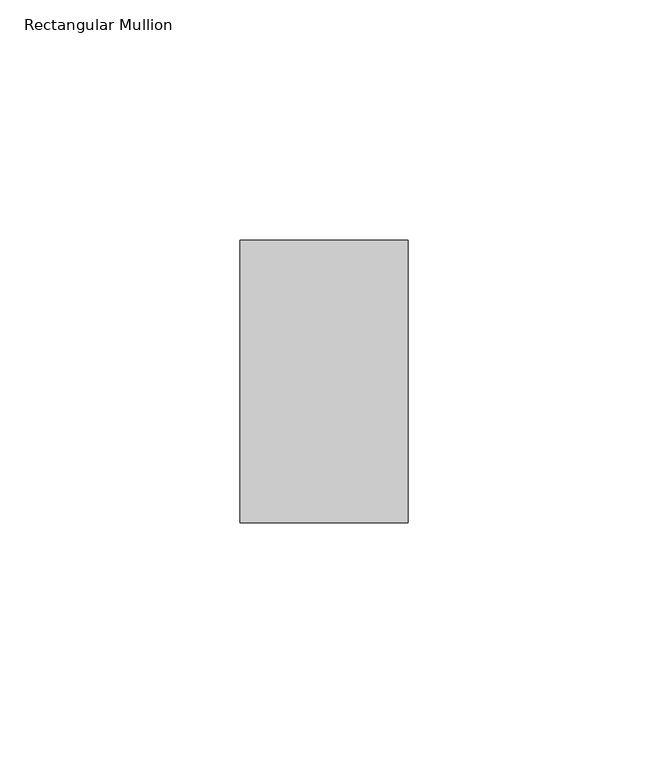
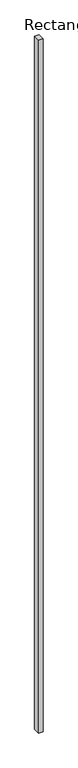
"""IFC4 building model written with IfcOpenShell, lengths in millimetres: member geometry, Rectangular Mullion."""

from ifc_helpers import new_model, si_unit, frame, origin, place, context, project, spatial, polyline, outline, extrude, source, transform, mapped, element, save


def rectangular_mullion_3f80979a(model_context):
    return source(origin(), model_context, "Body", "SweptSolid", [
        extrude(outline(polyline([(0.0, 29.36875), (0.0, -29.36875), (-34.925, -29.36875), (-34.925, 29.36875), (0.0, 29.36875)])), frame((0.0, 0.0, -6096.0), z_axis=(0.0, 0.0, 1.0), x_axis=(1.0, 0.0, 0.0)), (0.0, 0.0, 1.0), 6096.0),
    ])


if __name__ == "__main__":
    model = new_model("IFC4")
    model_context = context("Model", 3, world=origin())
    ifc_project = project(units=[si_unit("LENGTHUNIT", "METRE", prefix="MILLI")], contexts=[model_context])
    site = spatial("IfcSite", under=ifc_project)
    building = spatial("IfcBuilding", under=site)
    placement = place(None, origin())
    rectangular_mullion_shape = rectangular_mullion_3f80979a(model_context)
    element("IfcMember", 1, ObjectType="Rectangular Mullion", at=placement, inside=building, context=model_context, shape_type="MappedRepresentation", body=[
        mapped(rectangular_mullion_shape, transform((0.0, 0.0, 0.0), x_axis=(1.0, 0.0, 0.0), y_axis=(0.0, 1.0, 0.0), z_axis=(0.0, 0.0, 1.0))),
    ])
    save(model, "model.ifc")
